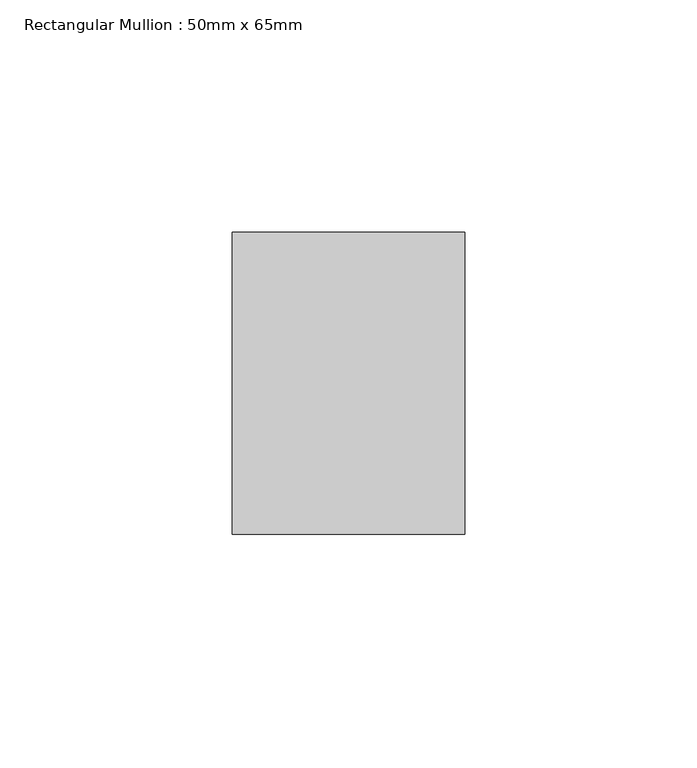
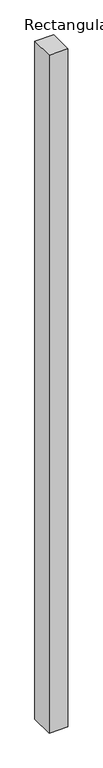
"""IFC4 building model written with IfcOpenShell, lengths in millimetres: member geometry, Rectangular Mullion : 50mm x 65mm."""

from ifc_helpers import new_model, si_unit, frame, origin, place, context, project, spatial, polyline, outline, extrude, source, transform, mapped, element, save


def rectangular_mullion_50mm_x_65mm_9b92c070(model_context):
    return source(origin(), model_context, "Body", "SweptSolid", [
        extrude(outline(polyline([(25.0, 32.5), (25.0, -32.5), (-25.0, -32.5), (-25.0, 32.5), (25.0, 32.5)])), frame((0.0, 0.0, -1897.7009524), z_axis=(0.0, 0.0, 1.0), x_axis=(1.0, 0.0, 0.0)), (0.0, 0.0, 1.0), 1897.7009524),
    ])


if __name__ == "__main__":
    model = new_model("IFC4")
    model_context = context("Model", 3, world=origin())
    ifc_project = project(units=[si_unit("LENGTHUNIT", "METRE", prefix="MILLI")], contexts=[model_context])
    site = spatial("IfcSite", under=ifc_project)
    building = spatial("IfcBuilding", under=site)
    placement = place(None, origin())
    rectangular_mullion_50mm_x_65mm_shape = rectangular_mullion_50mm_x_65mm_9b92c070(model_context)
    element("IfcMember", 1, ObjectType="Rectangular Mullion : 50mm x 65mm", at=placement, inside=building, context=model_context, shape_type="MappedRepresentation", body=[
        mapped(rectangular_mullion_50mm_x_65mm_shape, transform((0.0, 0.0, 0.0), x_axis=(1.0, 0.0, 0.0), y_axis=(0.0, 1.0, 0.0), z_axis=(0.0, 0.0, 1.0))),
    ])
    save(model, "model.ifc")
